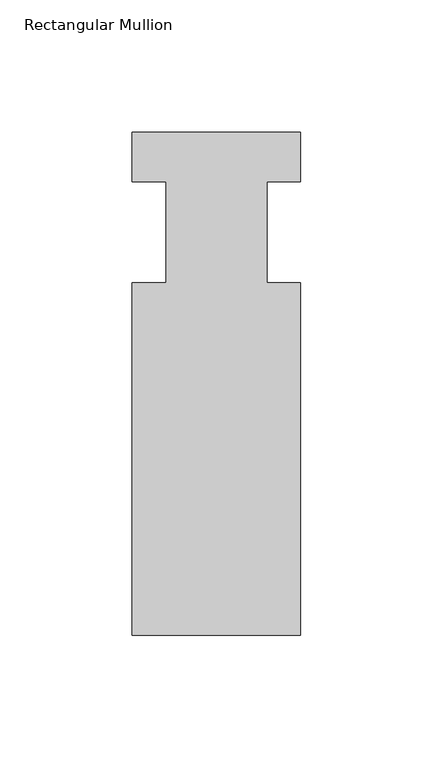
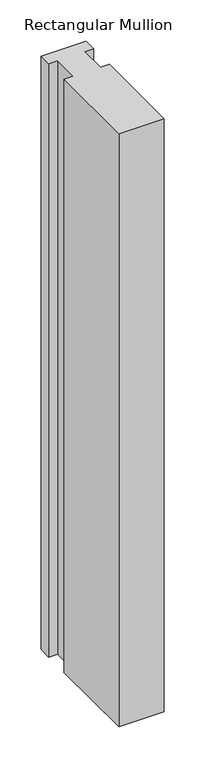
"""IFC4 building model written with IfcOpenShell, lengths in millimetres: member geometry, Rectangular Mullion."""

from ifc_helpers import new_model, si_unit, frame, origin, place, context, project, spatial, polyline, outline, extrude, source, transform, mapped, element, save


def rectangular_mullion_e3c6cab9(model_context):
    return source(origin(), model_context, "Body", "SweptSolid", [
        extrude(outline(polyline([(31.75, -151.9936), (-31.75, -151.9936), (-31.75, -19.05), (-19.05, -19.05), (-19.05, 19.05), (-31.75, 19.05), (-31.75, 37.6936), (31.75, 37.6936), (31.75, 19.05), (19.0499746, 19.05), (19.0499746, -19.05), (31.75, -19.05), (31.75, -151.9936)])), frame((0.0, 0.0, -881.0359795), z_axis=(0.0, 0.0, 1.0), x_axis=(1.0, 0.0, 0.0)), (0.0, 0.0, 1.0), 881.0359795),
    ])


if __name__ == "__main__":
    model = new_model("IFC4")
    model_context = context("Model", 3, world=origin())
    ifc_project = project(units=[si_unit("LENGTHUNIT", "METRE", prefix="MILLI")], contexts=[model_context])
    site = spatial("IfcSite", under=ifc_project)
    building = spatial("IfcBuilding", under=site)
    placement = place(None, origin())
    rectangular_mullion_shape = rectangular_mullion_e3c6cab9(model_context)
    element("IfcMember", 1, ObjectType="Rectangular Mullion", at=placement, inside=building, context=model_context, shape_type="MappedRepresentation", body=[
        mapped(rectangular_mullion_shape, transform((0.0, 0.0, 0.0), x_axis=(1.0, 0.0, 0.0), y_axis=(0.0, 1.0, 0.0), z_axis=(0.0, 0.0, 1.0))),
    ])
    save(model, "model.ifc")
